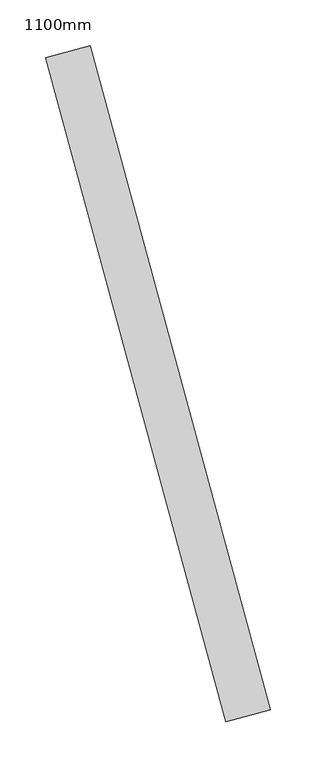
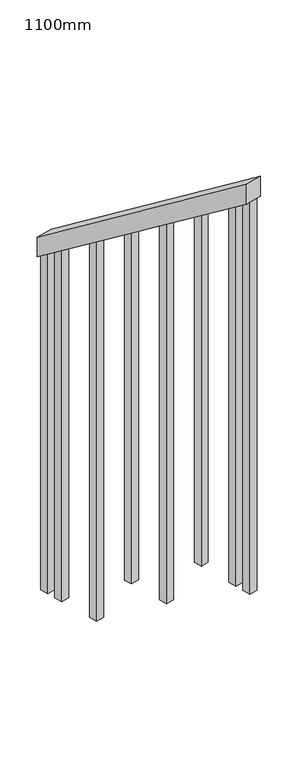
"""IFC4 building model written with IfcOpenShell, lengths in millimetres: railing geometry, 1100mm."""

from ifc_helpers import new_model, si_unit, frame, origin, place, context, project, spatial, polyline, outline, extrude, source, transform, mapped, element, save


def railing_1100mm_a9e48fa2(model_context):
    return source(origin(), model_context, "Body", "SweptSolid", [
        extrude(outline(polyline([(35.5555555, -50.0), (0.0, 0.0), (920.2958462, 0.0), (955.8514017, -49.9999999), (35.5555555, -50.0)])), frame((202803.0308893, 42926.357975, 1216.4247214), z_axis=(0.9649894123601869, 0.26228883703417755, 0.0), x_axis=(0.2137536843159486, -0.7864232597554053, 0.5795237863600081)), (0.0, 0.0, 1.0), 50.0),
        extrude(outline(polyline([(1271.980277, 25.0), (1271.980277, 0.0), (91.1111112, 0.0), (108.8888889, 25.0), (1271.980277, 25.0)])), frame((202998.6954429, 42254.1439968, 1805.3136103), z_axis=(0.964989412360187, 0.26228883703417755, 0.0), x_axis=(0.0, 0.0, -1.0)), (0.0, 0.0, 1.0), 25.0),
        extrude(outline(polyline([(1183.0913881, 25.0), (1183.0913881, 0.0), (91.1111111, 0.0), (108.8888889, 25.0), (1183.0913881, 25.0)])), frame((202965.9093383, 42374.7676734, 1716.4247214), z_axis=(0.964989412360187, 0.26228883703417755, 0.0), x_axis=(0.0, 0.0, -1.0)), (0.0, 0.0, 1.0), 25.0),
        extrude(outline(polyline([(1271.9802769, 25.0), (1271.9802769, 0.0), (91.1111111, 0.0), (108.8888889, 25.0), (1271.9802769, 25.0)])), frame((202933.1232336, 42495.3913499, 1627.5358325), z_axis=(0.964989412360187, 0.26228883703417755, 0.0), x_axis=(0.0, 0.0, -1.0)), (0.0, 0.0, 1.0), 25.0),
        extrude(outline(polyline([(1183.091388, 25.0), (1183.091388, 0.0), (91.1111111, 0.0), (108.8888889, 25.0), (1183.091388, 25.0)])), frame((202900.337129, 42616.0150265, 1538.6469436), z_axis=(0.964989412360187, 0.26228883703417755, 0.0), x_axis=(0.0, 0.0, -1.0)), (0.0, 0.0, 1.0), 25.0),
        extrude(outline(polyline([(1271.9802769, 25.0), (1271.9802769, 0.0), (91.1111111, 0.0), (108.8888889, 25.0), (1271.9802769, 25.0)])), frame((202867.5510244, 42736.638703, 1449.7580547), z_axis=(0.964989412360187, 0.26228883703417755, 0.0), x_axis=(0.0, 0.0, -1.0)), (0.0, 0.0, 1.0), 25.0),
        extrude(outline(polyline([(1183.091388, 25.0000001), (1183.091388, 0.0), (91.1111111, 0.0), (108.8888889, 25.0000001), (1183.091388, 25.0000001)])), frame((202834.7649197, 42857.2623795, 1360.8691658), z_axis=(0.964989412360187, 0.26228883703417755, 0.0), x_axis=(0.0, 0.0, -1.0)), (0.0, 0.0, 1.0), 25.0),
        extrude(outline(polyline([(1307.5358325, 25.0), (1307.5358325, 0.0), (91.1111111, 0.0), (108.8888889, 25.0), (1307.5358325, 25.0)])), frame((203011.8098847, 42205.8945262, 1840.8691658), z_axis=(0.964989412360187, 0.26228883703417755, 0.0), x_axis=(0.0, 0.0, -1.0)), (0.0, 0.0, 1.0), 25.0),
        extrude(outline(polyline([(1147.5358325, 25.0), (1147.5358325, 0.0), (91.1111112, 0.0), (108.8888889, 25.0), (1147.5358325, 25.0)])), frame((202821.6504779, 42905.5118502, 1325.3136103), z_axis=(0.964989412360187, 0.26228883703417755, 0.0), x_axis=(0.0, 0.0, -1.0)), (0.0, 0.0, 1.0), 25.0),
    ])


if __name__ == "__main__":
    model = new_model("IFC4")
    model_context = context("Model", 3, world=origin())
    ifc_project = project(units=[si_unit("LENGTHUNIT", "METRE", prefix="MILLI")], contexts=[model_context])
    site = spatial("IfcSite", under=ifc_project)
    building = spatial("IfcBuilding", under=site)
    placement = place(None, origin())
    railing_1100mm_shape = railing_1100mm_a9e48fa2(model_context)
    element("IfcRailing", 1, ObjectType="1100mm", at=placement, inside=building, context=model_context, shape_type="MappedRepresentation", body=[
        mapped(railing_1100mm_shape, transform((0.0, 0.0, 0.0), x_axis=(1.0, 0.0, 0.0), y_axis=(0.0, 1.0, 0.0), z_axis=(0.0, 0.0, 1.0))),
    ])
    save(model, "model.ifc")
